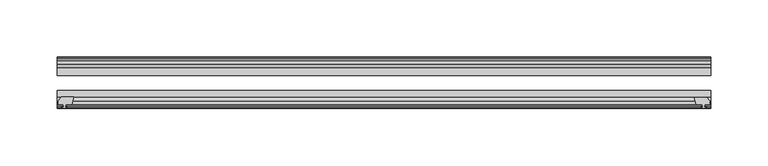
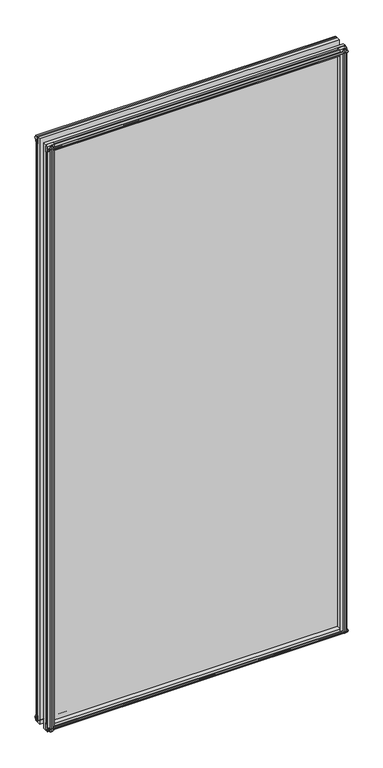
"""IFC4 building model written with IfcOpenShell, lengths in millimetres: plate geometry."""

from ifc_helpers import new_model, si_unit, frame, origin, place, context, project, spatial, polyline, outline, extrude, source, transform, mapped, element, save


def plate_8433daa5(model_context):
    return source(origin(), model_context, "Body", "SweptSolid", [
        extrude(outline(polyline([(-271.3322822, -83.2445312), (-273.0500003, -89.5945312), (-278.2570003, -89.5945312), (-278.6380003, -91.9747282), (-277.2224712, -91.514795), (-277.2224712, -92.3160092), (-279.4000003, -93.0235312), (-281.5775293, -92.3160092), (-281.5775293, -91.514795), (-280.1620003, -91.9747282), (-280.5430003, -89.5945312), (-284.9880003, -89.5945312), (-284.9880003, -86.6481312), (-282.1536581, -83.2445312), (-271.3322822, -83.2445312)])), frame((0.0, 0.0, -12.4587), z_axis=(0.0, 0.0, 1.0), x_axis=(1.0, 0.0, 0.0)), (0.0, 0.0, 1.0), 1180.6258921),
        extrude(outline(polyline([(271.3538929, -83.3244209), (282.1752688, -83.3244209), (285.0096109, -86.7280209), (285.0096109, -89.6744209), (280.5646109, -89.6744209), (280.1836109, -92.0546178), (281.59914, -91.5946846), (281.59914, -92.3958988), (279.4216109, -93.1034209), (277.2440819, -92.3958988), (277.2440819, -91.5946846), (278.6596109, -92.0546178), (278.2786109, -89.6744209), (273.0716109, -89.6744209), (271.3538929, -83.3244209)])), frame((0.0, 0.0, -9.0482291), z_axis=(0.0, 0.0, 1.0), x_axis=(1.0, 0.0, 0.0)), (0.0, 0.0, 1.0), 1177.2154211),
        extrude(outline(polyline([(-280.6827003, -49.1143343), (-282.0982293, -49.5742675), (-282.0982293, -48.7730533), (-279.9207003, -48.0655313), (-277.7431712, -48.7730533), (-277.7431712, -49.5742675), (-279.1587003, -49.1143343), (-278.7777003, -51.4945313), (-273.5707003, -51.4945313), (-271.8529822, -57.8445313), (-282.6743581, -57.8445313), (-285.5087003, -54.4409313), (-285.5087003, -51.4945313), (-281.0637003, -51.4945313), (-280.6827003, -49.1143343)])), frame((0.0, 0.0, -12.4587), z_axis=(0.0, 0.0, 1.0), x_axis=(1.0, 0.0, 0.0)), (0.0, 0.0, 1.0), 1174.2758921),
        extrude(outline(polyline([(271.8529822, -57.8445313), (273.5707003, -51.4945313), (278.7777003, -51.4945313), (279.1587003, -49.1143343), (277.7431712, -49.5742675), (277.7431712, -48.7730533), (279.9207003, -48.0655313), (282.0982293, -48.7730533), (282.0982293, -49.5742675), (280.6827003, -49.1143343), (281.0637003, -51.4945313), (285.5087003, -51.4945313), (285.5087003, -54.4409313), (282.6743581, -57.8445313), (271.8529822, -57.8445313)])), frame((0.0, 0.0, -12.4587), z_axis=(0.0, 0.0, 1.0), x_axis=(1.0, 0.0, 0.0)), (0.0, 0.0, 1.0), 1174.2758921),
        extrude(outline(polyline([(-48.7730533, -4.6931709), (-48.0655312, -6.8707), (-48.7730533, -9.0482291), (-49.5742675, -9.0482291), (-49.1143343, -7.6327), (-51.4945312, -8.0137), (-51.4945312, -12.4587), (-54.4409312, -12.4587), (-57.8445312, -9.6243578), (-57.8445312, 1.1970181), (-51.4945312, -0.5207), (-51.4945312, -5.7277), (-49.1143343, -6.1087), (-49.5742675, -4.6931709), (-48.7730533, -4.6931709)])), frame((-285.7500003, 0.0, 0.0), z_axis=(1.0, 0.0, 0.0), x_axis=(0.0, 1.0, 0.0)), (0.0, 0.0, 1.0), 571.5000005),
        extrude(outline(polyline([(-83.2445312, 1.7177181), (-83.2445312, -9.1036578), (-86.6481312, -11.938), (-89.5945312, -11.938), (-89.5945312, -7.493), (-91.9747282, -7.112), (-91.514795, -8.5275291), (-92.3160092, -8.5275291), (-93.0235312, -6.35), (-92.3160092, -4.1724709), (-91.514795, -4.1724709), (-91.9747282, -5.588), (-89.5945312, -5.207), (-89.5945312, 0.0), (-83.2445312, 1.7177181)])), frame((-285.7500003, 0.0, 0.0), z_axis=(1.0, 0.0, 0.0), x_axis=(0.0, 1.0, 0.0)), (0.0, 0.0, 1.0), 571.5000005),
        extrude(outline(polyline([(-49.1143343, 1163.3411921), (-49.5742675, 1164.7567211), (-48.7730533, 1164.7567211), (-48.0655312, 1162.5791921), (-48.7730533, 1160.401663), (-49.5742675, 1160.401663), (-49.1143343, 1161.8171921), (-51.4945312, 1161.4361921), (-51.4945312, 1156.2291921), (-57.8445313, 1154.511474), (-57.8445313, 1165.3328499), (-54.4409312, 1168.1671921), (-51.4945312, 1168.1671921), (-51.4945312, 1163.7221921), (-49.1143343, 1163.3411921)])), frame((-285.7500003, 0.0, 0.0), z_axis=(1.0, 0.0, 0.0), x_axis=(0.0, 1.0, 0.0)), (0.0, 0.0, 1.0), 571.5000005),
        extrude(outline(polyline([(-89.5945312, 1167.6464921), (-86.6481312, 1167.6464921), (-83.2445313, 1164.8121499), (-83.2445313, 1153.990774), (-89.5945312, 1155.7084921), (-89.5945312, 1160.9154921), (-91.9747282, 1161.2964921), (-91.514795, 1159.880963), (-92.3160092, 1159.880963), (-93.0235312, 1162.0584921), (-92.3160092, 1164.2360211), (-91.514795, 1164.2360211), (-91.9747282, 1162.8204921), (-89.5945312, 1163.2014921), (-89.5945312, 1167.6464921)])), frame((-285.7500003, 0.0, 0.0), z_axis=(1.0, 0.0, 0.0), x_axis=(0.0, 1.0, 0.0)), (0.0, 0.0, 1.0), 571.5000005),
        extrude(outline(polyline([(-285.7500003, -57.8445312), (285.7500003, -57.8445312), (285.7500003, -64.1945313), (-285.7500003, -64.1945313), (-285.7500003, -57.8445312)])), frame((0.0, 0.0, -12.7), z_axis=(0.0, 0.0, 1.0), x_axis=(1.0, 0.0, 0.0)), (0.0, 0.0, 1.0), 1181.1084921),
        extrude(outline(polyline([(-285.7500003, -77.2171112), (285.7500003, -77.2171112), (285.7500003, -83.2445312), (-285.7500003, -83.2445312), (-285.7500003, -77.2171112)])), frame((0.0, 0.0, -12.7), z_axis=(0.0, 0.0, 1.0), x_axis=(1.0, 0.0, 0.0)), (0.0, 0.0, 1.0), 1181.1084921),
    ])


if __name__ == "__main__":
    model = new_model("IFC4")
    model_context = context("Model", 3, world=origin())
    ifc_project = project(units=[si_unit("LENGTHUNIT", "METRE", prefix="MILLI")], contexts=[model_context])
    site = spatial("IfcSite", under=ifc_project)
    building = spatial("IfcBuilding", under=site)
    placement = place(None, origin())
    plate_shape = plate_8433daa5(model_context)
    element("IfcPlate", 1, at=placement, inside=building, context=model_context, shape_type="MappedRepresentation", body=[
        mapped(plate_shape, transform((0.0, 0.0, 0.0), x_axis=(1.0, 0.0, 0.0), y_axis=(0.0, 1.0, 0.0), z_axis=(0.0, 0.0, 1.0))),
    ])
    save(model, "model.ifc")
